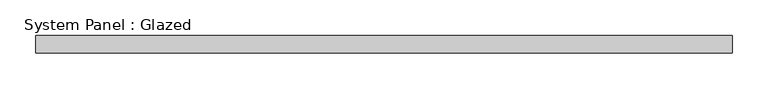
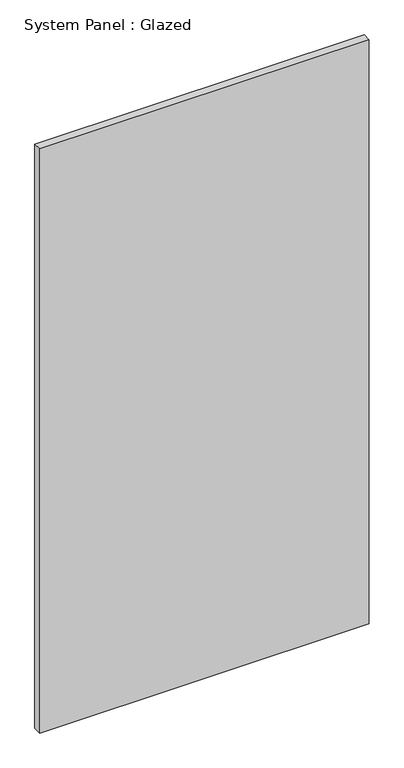
"""IFC4 building model written with IfcOpenShell, lengths in millimetres: plate geometry, System Panel : Glazed."""

from ifc_helpers import new_model, si_unit, origin, origin_with_axes, place, context, project, spatial, polyline, outline, extrude, source, transform, mapped, element, save


def system_panel_glazed_def417ae(model_context):
    return source(origin(), model_context, "Body", "SweptSolid", [
        extrude(outline(polyline([(488.9118387, 24.5), (-488.9118387, 24.5), (-488.9118387, 49.5), (488.9118387, 49.5), (488.9118387, 24.5)])), origin_with_axes(), (0.0, 0.0, 1.0), 1832.2157213),
    ])


if __name__ == "__main__":
    model = new_model("IFC4")
    model_context = context("Model", 3, world=origin())
    ifc_project = project(units=[si_unit("LENGTHUNIT", "METRE", prefix="MILLI")], contexts=[model_context])
    site = spatial("IfcSite", under=ifc_project)
    building = spatial("IfcBuilding", under=site)
    placement = place(None, origin())
    system_panel_glazed_shape = system_panel_glazed_def417ae(model_context)
    element("IfcPlate", 1, ObjectType="System Panel : Glazed", at=placement, inside=building, context=model_context, shape_type="MappedRepresentation", body=[
        mapped(system_panel_glazed_shape, transform((0.0, 0.0, 0.0), x_axis=(1.0, 0.0, 0.0), y_axis=(0.0, 1.0, 0.0), z_axis=(0.0, 0.0, 1.0))),
    ])
    save(model, "model.ifc")
